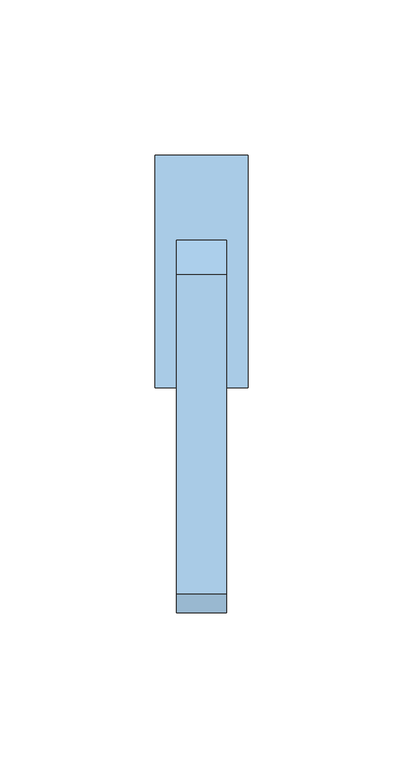
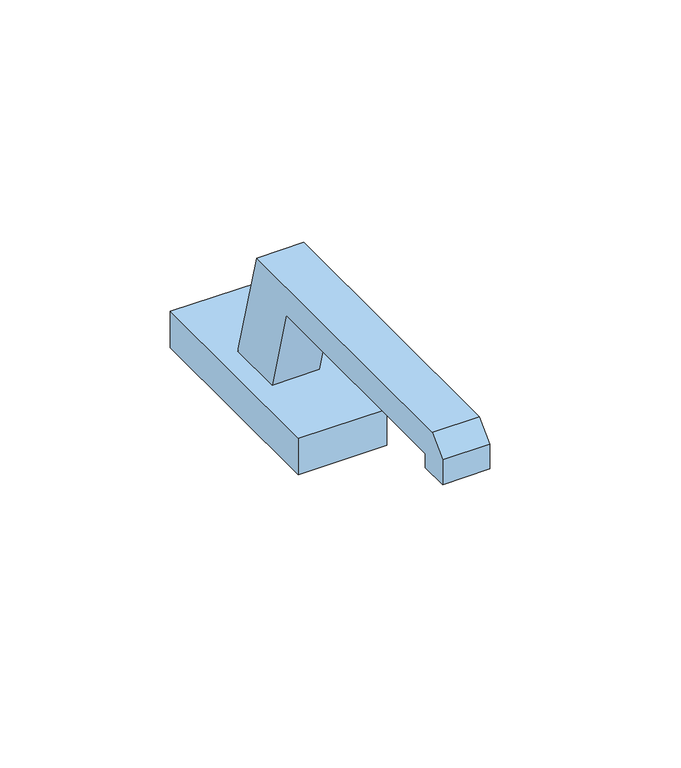
"""IFC4 building model written with IfcOpenShell, lengths in millimetres: window geometry."""

import ifcopenshell
import ifcopenshell.guid

model = None  # the IFC model being written
_history = None  # IfcOwnerHistory: only IFC2X3 demands one
_inside = {}  # id of a spatial element -> (the spatial element, [elements in it])
_under = {}  # id of a project, library or spatial element -> (it, [spatial elements below it])
_declared = {}  # id of a project -> (the project, [libraries it declares])
_typed = {}  # id of a type object -> (the type object, [elements of that type])
_made_of = {}  # id of a material, layer set ... -> (it, [elements and type objects made of it])


def new_model(schema):
    """Start an empty IFC model of exactly this schema.

    Asked for "IFC4X3", IfcOpenShell would pick the latest addendum, in which some entities
    have other attributes; the version numbers below select the first issue.
    IFC2X3 requires an IfcOwnerHistory on every rooted entity: one is made here for all.
    """
    global model, _history
    if schema == "IFC4X3":
        model = ifcopenshell.file(schema_version=(4, 3, 0, 0))
    else:
        model = ifcopenshell.file(schema=schema)
    _inside.clear()
    _under.clear()
    _declared.clear()
    _typed.clear()
    _made_of.clear()
    _history = None
    if model.schema == "IFC2X3":
        org = make("IfcOrganization", Name="unknown")
        user = make(
            "IfcPersonAndOrganization",
            ThePerson=make("IfcPerson", FamilyName="unknown"),
            TheOrganization=org,
        )
        app = make(
            "IfcApplication",
            ApplicationDeveloper=org,
            Version="unknown",
            ApplicationFullName="unknown",
            ApplicationIdentifier="unknown",
        )
        _history = make(
            "IfcOwnerHistory",
            OwningUser=user,
            OwningApplication=app,
            ChangeAction="ADDED",
            CreationDate=0,
        )
    return model


def make(cls, **values):
    """One entity of the class cls with the attributes given. An attribute that is None is left unset."""
    return model.create_entity(
        cls, **{name: value for name, value in values.items() if value is not None}
    )


def rooted(cls, **values):
    """An entity with a GlobalId (a new one), such as an element, a storey or a relation."""
    return make(cls, GlobalId=ifcopenshell.guid.new(), OwnerHistory=_history, **values)


def si_unit(unit_type, name, prefix=None):
    """IfcSIUnit, for example si_unit("LENGTHUNIT", "METRE", prefix="MILLI")."""
    return make("IfcSIUnit", UnitType=unit_type, Prefix=prefix, Name=name)


def assignment(units):
    """IfcUnitAssignment: the units of a project."""
    return None if units is None else make("IfcUnitAssignment", Units=units)


def point(xyz):
    """IfcCartesianPoint."""
    return None if xyz is None else make("IfcCartesianPoint", Coordinates=xyz)


def direction(xyz):
    """IfcDirection."""
    return None if xyz is None else make("IfcDirection", DirectionRatios=xyz)


def frame(location, z_axis=None, x_axis=None):
    """IfcAxis2Placement3D, a coordinate frame: its origin and axes. An axis left out is left unset."""
    return make(
        "IfcAxis2Placement3D",
        Location=point(location),
        Axis=direction(z_axis),
        RefDirection=direction(x_axis),
    )


def origin():
    """The frame at (0, 0, 0) with its axes left unset."""
    return frame((0.0, 0.0, 0.0))


def place(relative_to, where):
    """IfcLocalPlacement: puts the frame where relative to a parent placement (None: the world)."""
    return make(
        "IfcLocalPlacement", PlacementRelTo=relative_to, RelativePlacement=where
    )


def context(
    kind, dimensions, precision=None, world=None, true_north=None, identifier=None
):
    """IfcGeometricRepresentationContext, for example the 3D "Model" context."""
    return make(
        "IfcGeometricRepresentationContext",
        ContextIdentifier=identifier,
        ContextType=kind,
        CoordinateSpaceDimension=dimensions,
        Precision=precision,
        WorldCoordinateSystem=world,
        TrueNorth=true_north,
    )


def project(units=None, contexts=None):
    """IfcProject with its units and contexts."""
    return rooted(
        "IfcProject",
        Name="project",
        RepresentationContexts=contexts,
        UnitsInContext=assignment(units),
    )


def spatial(cls, under=None, at=None, **own):
    """A site, building, storey or space (cls), placed at a placement, below another one or the project."""
    s = rooted(cls, ObjectPlacement=at, **own)
    if under is not None:
        _under.setdefault(under.id(), (under, []))[1].append(s)
    return s


def faces_of(points, faces, orient=None, outer=None):
    """IfcFace entities. A face is a list of loops; a loop is a list of indices into points, from 0.

    orient and outer hold one flag for each loop. By default every Orientation is true, the
    first loop of a face is its IfcFaceOuterBound and the others are IfcFaceBound.
    """
    made = []
    for i, loops in enumerate(faces):
        bounds = []
        for j, loop in enumerate(loops):
            is_outer = j == 0 if outer is None else outer[i][j]
            bounds.append(
                make(
                    "IfcFaceOuterBound" if is_outer else "IfcFaceBound",
                    Bound=make("IfcPolyLoop", Polygon=[points[k] for k in loop]),
                    Orientation=True if orient is None else orient[i][j],
                )
            )
        made.append(make("IfcFace", Bounds=bounds))
    return made


def faceted_brep(points, faces, orient=None, outer=None, voids=None):
    """IfcFacetedBrep: a solid bounded by flat faces; with voids (closed shells), ...WithVoids."""
    shared = [point(p) for p in points]
    hull = make("IfcClosedShell", CfsFaces=faces_of(shared, faces, orient, outer))
    if voids is None:
        return make("IfcFacetedBrep", Outer=hull)
    return make(
        "IfcFacetedBrepWithVoids",
        Outer=hull,
        Voids=[
            make(cls, CfsFaces=faces_of(shared, fs, o, b)) for cls, fs, o, b in voids
        ],
    )


def shape(context_of_items, identifier, shape_type, items):
    """IfcShapeRepresentation: the items that make up one representation, for example the "Body"."""
    return make(
        "IfcShapeRepresentation",
        ContextOfItems=context_of_items,
        RepresentationIdentifier=identifier,
        RepresentationType=shape_type,
        Items=items,
    )


def source(mapping_origin, context_of_items, identifier, shape_type, items):
    """IfcRepresentationMap: a shape defined once, which mapped items show again and again."""
    return make(
        "IfcRepresentationMap",
        MappingOrigin=mapping_origin,
        MappedRepresentation=shape(context_of_items, identifier, shape_type, items),
    )


def transform(
    local_origin,
    x_axis=None,
    y_axis=None,
    z_axis=None,
    scale=None,
    scale2=None,
    scale3=None,
    uniform=True,
):
    """IfcCartesianTransformationOperator3D, or its non-uniform kind. x_axis, y_axis, z_axis: its Axis1, 2, 3."""
    if uniform:
        return make(
            "IfcCartesianTransformationOperator3D",
            Axis1=direction(x_axis),
            Axis2=direction(y_axis),
            LocalOrigin=point(local_origin),
            Scale=scale,
            Axis3=direction(z_axis),
        )
    return make(
        "IfcCartesianTransformationOperator3DnonUniform",
        Axis1=direction(x_axis),
        Axis2=direction(y_axis),
        LocalOrigin=point(local_origin),
        Scale=scale,
        Axis3=direction(z_axis),
        Scale2=scale2,
        Scale3=scale3,
    )


def mapped(mapping_source, mapping_target):
    """IfcMappedItem: shows the shape of a source again, moved by a transform."""
    return make(
        "IfcMappedItem", MappingSource=mapping_source, MappingTarget=mapping_target
    )


def made_of(thing, what):
    """Note that an element or type object is made of a material, layer set ...; save() writes the relation."""
    if what is not None:
        _made_of.setdefault(what.id(), (what, []))[1].append(thing)
    return thing


def element(
    cls,
    number,
    at=None,
    inside=None,
    cuts=None,
    type_object=None,
    material=None,
    context=None,
    identifier="Body",
    shape_type=None,
    held_by="IfcProductDefinitionShape",
    body=None,
    shapes=None,
    **own,
):
    """One element of the class cls, such as IfcWall. Its Tag is "e" and its number.

    at: its placement. inside: the storey or other place that contains it. cuts: it is an
    opening in that element (IfcRelVoidsElement). A single representation is given by context,
    identifier, shape_type and body (its items); several are given by shapes. held_by: the class
    of the entity that holds the representations. save() writes the other relations.
    """
    e = rooted(cls, Tag="e%d" % number, ObjectPlacement=at, **own)
    if body is not None:
        shapes = [shape(context, identifier, shape_type, body)]
    if shapes is not None:
        e.Representation = make(held_by, Representations=shapes)
    if inside is not None:
        _inside.setdefault(inside.id(), (inside, []))[1].append(e)
    if cuts is not None:
        rooted(
            "IfcRelVoidsElement", RelatingBuildingElement=cuts, RelatedOpeningElement=e
        )
    if type_object is not None:
        _typed.setdefault(type_object.id(), (type_object, []))[1].append(e)
    return made_of(e, material)


def aggregate(whole, parts):
    """IfcRelAggregates: a whole, such as a stair, and the parts it consists of."""
    return rooted("IfcRelAggregates", RelatingObject=whole, RelatedObjects=parts)


def save(model, path):
    """Write the relations noted so far, then the file.

    IfcRelAggregates (storeys below a building ...), IfcRelContainedInSpatialStructure (elements
    in a storey), IfcRelDefinesByType, IfcRelAssociatesMaterial and IfcRelDeclares: one each for
    every whole, place, type object, material and project.
    """
    for whole, parts in _under.values():
        aggregate(whole, parts)
    for where, things in _inside.values():
        rooted(
            "IfcRelContainedInSpatialStructure",
            RelatedElements=things,
            RelatingStructure=where,
        )
    for kind, things in _typed.values():
        rooted("IfcRelDefinesByType", RelatedObjects=things, RelatingType=kind)
    for what, things in _made_of.values():
        rooted("IfcRelAssociatesMaterial", RelatedObjects=things, RelatingMaterial=what)
    for by, libraries in _declared.values():
        rooted("IfcRelDeclares", RelatingContext=by, RelatedDefinitions=libraries)
    model.write(path)


def window_b4f2b5aa(model_context):
    return source(origin(), model_context, "Body", "Brep", [
        faceted_brep([(15.0, 37.5, 13.0), (-15.0, 37.5, 13.0), (-15.0, -37.5, 13.0), (15.0, -37.5, 13.0), (-8.0, 10.0, 13.0), (8.0, 10.0, 13.0), (8.0, -10.0, 13.0), (-8.0, -10.0, 13.0), (15.0, 37.5, 0.0), (15.0, -37.5, 0.0), (-15.0, -37.5, 0.0), (-15.0, 37.5, 0.0), (8.0, -1.0, 53.0), (-8.0, -1.0, 53.0), (-8.0, -103.8552635, 53.0), (8.0, -103.8552635, 53.0), (-8.0, -18.25, 43.0), (-8.0, -99.7131278, 43.0), (-8.0, -100.0, 42.7131278), (-8.0, -100.0, 38.0), (-8.0, -110.0, 38.0), (-8.0, -110.0, 46.8552635), (8.0, -18.25, 43.0), (8.0, -110.0, 46.8552635), (8.0, -110.0, 38.0), (8.0, -100.0, 38.0), (8.0, -100.0, 42.7131278), (8.0, -99.7131278, 43.0)], [[[0, 1, 2, 3], [4, 5, 6, 7]], [[8, 9, 10, 11]], [[1, 0, 8, 11]], [[2, 1, 11, 10]], [[3, 2, 10, 9]], [[0, 3, 9, 8]], [[12, 13, 14, 15]], [[13, 12, 5, 4]], [[14, 13, 4, 7, 16, 17, 18, 19, 20, 21]], [[7, 6, 22, 16]], [[5, 12, 15, 23, 24, 25, 26, 27, 22, 6]], [[27, 17, 16, 22]], [[25, 24, 20, 19]], [[26, 25, 19, 18]], [[24, 23, 21, 20]], [[27, 26, 18, 17]], [[23, 15, 14, 21]]]),
    ])


if __name__ == "__main__":
    model = new_model("IFC4")
    model_context = context("Model", 3, world=origin())
    ifc_project = project(units=[si_unit("LENGTHUNIT", "METRE", prefix="MILLI")], contexts=[model_context])
    site = spatial("IfcSite", under=ifc_project)
    building = spatial("IfcBuilding", under=site)
    placement = place(None, origin())
    window_shape = window_b4f2b5aa(model_context)
    element("IfcWindow", 1, at=placement, inside=building, context=model_context, shape_type="MappedRepresentation", body=[
        mapped(window_shape, transform((0.0, 0.0, 0.0), x_axis=(1.0, 0.0, 0.0), y_axis=(0.0, 1.0, 0.0), z_axis=(0.0, 0.0, 1.0))),
    ])
    save(model, "model.ifc")
